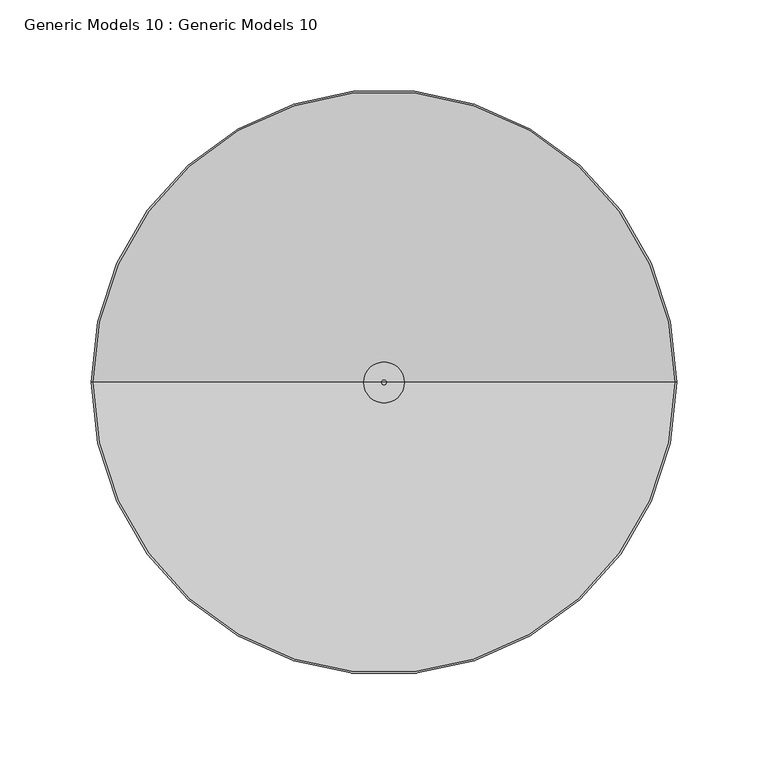
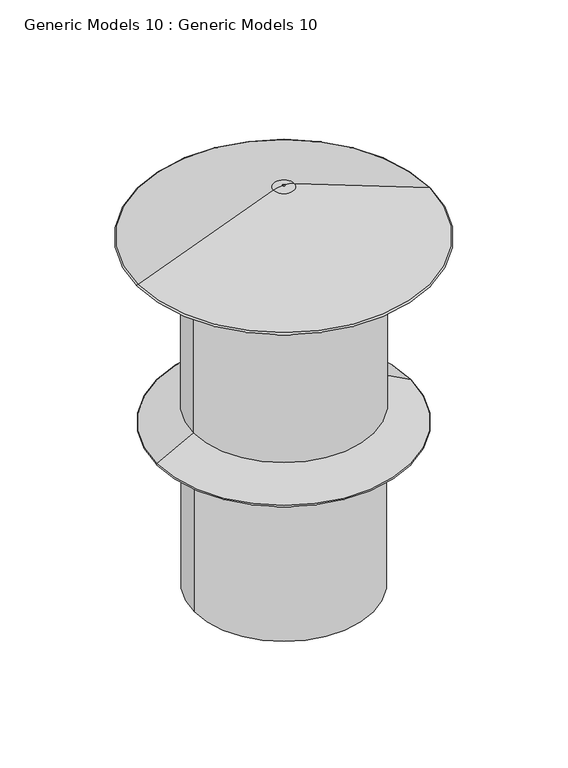
"""IFC4 building model written with IfcOpenShell, lengths in millimetres: proxy geometry, Generic Models 10 : Generic Models 10."""

import ifcopenshell
import ifcopenshell.guid

model = None  # the IFC model being written
_history = None  # IfcOwnerHistory: only IFC2X3 demands one
_inside = {}  # id of a spatial element -> (the spatial element, [elements in it])
_under = {}  # id of a project, library or spatial element -> (it, [spatial elements below it])
_declared = {}  # id of a project -> (the project, [libraries it declares])
_typed = {}  # id of a type object -> (the type object, [elements of that type])
_made_of = {}  # id of a material, layer set ... -> (it, [elements and type objects made of it])


def new_model(schema):
    """Start an empty IFC model of exactly this schema.

    Asked for "IFC4X3", IfcOpenShell would pick the latest addendum, in which some entities
    have other attributes; the version numbers below select the first issue.
    IFC2X3 requires an IfcOwnerHistory on every rooted entity: one is made here for all.
    """
    global model, _history
    if schema == "IFC4X3":
        model = ifcopenshell.file(schema_version=(4, 3, 0, 0))
    else:
        model = ifcopenshell.file(schema=schema)
    _inside.clear()
    _under.clear()
    _declared.clear()
    _typed.clear()
    _made_of.clear()
    _history = None
    if model.schema == "IFC2X3":
        org = make("IfcOrganization", Name="unknown")
        user = make(
            "IfcPersonAndOrganization",
            ThePerson=make("IfcPerson", FamilyName="unknown"),
            TheOrganization=org,
        )
        app = make(
            "IfcApplication",
            ApplicationDeveloper=org,
            Version="unknown",
            ApplicationFullName="unknown",
            ApplicationIdentifier="unknown",
        )
        _history = make(
            "IfcOwnerHistory",
            OwningUser=user,
            OwningApplication=app,
            ChangeAction="ADDED",
            CreationDate=0,
        )
    return model


def make(cls, **values):
    """One entity of the class cls with the attributes given. An attribute that is None is left unset."""
    return model.create_entity(
        cls, **{name: value for name, value in values.items() if value is not None}
    )


def rooted(cls, **values):
    """An entity with a GlobalId (a new one), such as an element, a storey or a relation."""
    return make(cls, GlobalId=ifcopenshell.guid.new(), OwnerHistory=_history, **values)


def si_unit(unit_type, name, prefix=None):
    """IfcSIUnit, for example si_unit("LENGTHUNIT", "METRE", prefix="MILLI")."""
    return make("IfcSIUnit", UnitType=unit_type, Prefix=prefix, Name=name)


def assignment(units):
    """IfcUnitAssignment: the units of a project."""
    return None if units is None else make("IfcUnitAssignment", Units=units)


def point(xyz):
    """IfcCartesianPoint."""
    return None if xyz is None else make("IfcCartesianPoint", Coordinates=xyz)


def direction(xyz):
    """IfcDirection."""
    return None if xyz is None else make("IfcDirection", DirectionRatios=xyz)


def frame(location, z_axis=None, x_axis=None):
    """IfcAxis2Placement3D, a coordinate frame: its origin and axes. An axis left out is left unset."""
    return make(
        "IfcAxis2Placement3D",
        Location=point(location),
        Axis=direction(z_axis),
        RefDirection=direction(x_axis),
    )


def origin():
    """The frame at (0, 0, 0) with its axes left unset."""
    return frame((0.0, 0.0, 0.0))


def place(relative_to, where):
    """IfcLocalPlacement: puts the frame where relative to a parent placement (None: the world)."""
    return make(
        "IfcLocalPlacement", PlacementRelTo=relative_to, RelativePlacement=where
    )


def context(
    kind, dimensions, precision=None, world=None, true_north=None, identifier=None
):
    """IfcGeometricRepresentationContext, for example the 3D "Model" context."""
    return make(
        "IfcGeometricRepresentationContext",
        ContextIdentifier=identifier,
        ContextType=kind,
        CoordinateSpaceDimension=dimensions,
        Precision=precision,
        WorldCoordinateSystem=world,
        TrueNorth=true_north,
    )


def project(units=None, contexts=None):
    """IfcProject with its units and contexts."""
    return rooted(
        "IfcProject",
        Name="project",
        RepresentationContexts=contexts,
        UnitsInContext=assignment(units),
    )


def spatial(cls, under=None, at=None, **own):
    """A site, building, storey or space (cls), placed at a placement, below another one or the project."""
    s = rooted(cls, ObjectPlacement=at, **own)
    if under is not None:
        _under.setdefault(under.id(), (under, []))[1].append(s)
    return s


def polyline(points):
    """IfcPolyline through the points."""
    return make("IfcPolyline", Points=[point(p) for p in points])


def circle_curve(where, radius):
    """IfcCircle in the frame where."""
    return make("IfcCircle", Position=where, Radius=radius)


def ellipse_curve(where, semi_axis1, semi_axis2):
    """IfcEllipse in the frame where."""
    return make(
        "IfcEllipse", Position=where, SemiAxis1=semi_axis1, SemiAxis2=semi_axis2
    )


def trimmed(basis, trim1, trim2, sense, master):
    """IfcTrimmedCurve: the piece of a basis curve between two trims."""
    return make(
        "IfcTrimmedCurve",
        BasisCurve=basis,
        Trim1=trim1,
        Trim2=trim2,
        SenseAgreement=sense,
        MasterRepresentation=master,
    )


def shape(context_of_items, identifier, shape_type, items):
    """IfcShapeRepresentation: the items that make up one representation, for example the "Body"."""
    return make(
        "IfcShapeRepresentation",
        ContextOfItems=context_of_items,
        RepresentationIdentifier=identifier,
        RepresentationType=shape_type,
        Items=items,
    )


def source(mapping_origin, context_of_items, identifier, shape_type, items):
    """IfcRepresentationMap: a shape defined once, which mapped items show again and again."""
    return make(
        "IfcRepresentationMap",
        MappingOrigin=mapping_origin,
        MappedRepresentation=shape(context_of_items, identifier, shape_type, items),
    )


def transform(
    local_origin,
    x_axis=None,
    y_axis=None,
    z_axis=None,
    scale=None,
    scale2=None,
    scale3=None,
    uniform=True,
):
    """IfcCartesianTransformationOperator3D, or its non-uniform kind. x_axis, y_axis, z_axis: its Axis1, 2, 3."""
    if uniform:
        return make(
            "IfcCartesianTransformationOperator3D",
            Axis1=direction(x_axis),
            Axis2=direction(y_axis),
            LocalOrigin=point(local_origin),
            Scale=scale,
            Axis3=direction(z_axis),
        )
    return make(
        "IfcCartesianTransformationOperator3DnonUniform",
        Axis1=direction(x_axis),
        Axis2=direction(y_axis),
        LocalOrigin=point(local_origin),
        Scale=scale,
        Axis3=direction(z_axis),
        Scale2=scale2,
        Scale3=scale3,
    )


def mapped(mapping_source, mapping_target):
    """IfcMappedItem: shows the shape of a source again, moved by a transform."""
    return make(
        "IfcMappedItem", MappingSource=mapping_source, MappingTarget=mapping_target
    )


def made_of(thing, what):
    """Note that an element or type object is made of a material, layer set ...; save() writes the relation."""
    if what is not None:
        _made_of.setdefault(what.id(), (what, []))[1].append(thing)
    return thing


def element(
    cls,
    number,
    at=None,
    inside=None,
    cuts=None,
    type_object=None,
    material=None,
    context=None,
    identifier="Body",
    shape_type=None,
    held_by="IfcProductDefinitionShape",
    body=None,
    shapes=None,
    **own,
):
    """One element of the class cls, such as IfcWall. Its Tag is "e" and its number.

    at: its placement. inside: the storey or other place that contains it. cuts: it is an
    opening in that element (IfcRelVoidsElement). A single representation is given by context,
    identifier, shape_type and body (its items); several are given by shapes. held_by: the class
    of the entity that holds the representations. save() writes the other relations.
    """
    e = rooted(cls, Tag="e%d" % number, ObjectPlacement=at, **own)
    if body is not None:
        shapes = [shape(context, identifier, shape_type, body)]
    if shapes is not None:
        e.Representation = make(held_by, Representations=shapes)
    if inside is not None:
        _inside.setdefault(inside.id(), (inside, []))[1].append(e)
    if cuts is not None:
        rooted(
            "IfcRelVoidsElement", RelatingBuildingElement=cuts, RelatedOpeningElement=e
        )
    if type_object is not None:
        _typed.setdefault(type_object.id(), (type_object, []))[1].append(e)
    return made_of(e, material)


def aggregate(whole, parts):
    """IfcRelAggregates: a whole, such as a stair, and the parts it consists of."""
    return rooted("IfcRelAggregates", RelatingObject=whole, RelatedObjects=parts)


def save(model, path):
    """Write the relations noted so far, then the file.

    IfcRelAggregates (storeys below a building ...), IfcRelContainedInSpatialStructure (elements
    in a storey), IfcRelDefinesByType, IfcRelAssociatesMaterial and IfcRelDeclares: one each for
    every whole, place, type object, material and project.
    """
    for whole, parts in _under.values():
        aggregate(whole, parts)
    for where, things in _inside.values():
        rooted(
            "IfcRelContainedInSpatialStructure",
            RelatedElements=things,
            RelatingStructure=where,
        )
    for kind, things in _typed.values():
        rooted("IfcRelDefinesByType", RelatedObjects=things, RelatingType=kind)
    for what, things in _made_of.values():
        rooted("IfcRelAssociatesMaterial", RelatedObjects=things, RelatingMaterial=what)
    for by, libraries in _declared.values():
        rooted("IfcRelDeclares", RelatingContext=by, RelatedDefinitions=libraries)
    model.write(path)


def plane_surface(at):
    """IfcPlane: the flat surface through the origin of the frame at, square to its z axis."""
    return make("IfcPlane", Position=at)


def cylinder_surface(at, radius):
    """IfcCylindricalSurface: all points at the distance radius from the z axis of the frame at."""
    return make("IfcCylindricalSurface", Position=at, Radius=radius)


def revolved_surface(curve, axis_point, axis_direction):
    """IfcSurfaceOfRevolution: the curve turned about the line through axis_point along axis_direction."""
    return make(
        "IfcSurfaceOfRevolution",
        SweptCurve=make("IfcArbitraryOpenProfileDef", ProfileType="CURVE", Curve=curve),
        AxisPosition=make("IfcAxis1Placement", Location=point(axis_point), Axis=direction(axis_direction)),
    )


def advanced_brep(points, edges, surfaces, faces):
    """IfcAdvancedBrep: a solid bounded by faces that lie on surfaces and meet in shared edges.

    An edge is (start, end): straight between two places in points (the first is 0);
    or (start, end, curve); or (start, end, curve, False) where it runs against its curve.
    A face is (place in surfaces, loops), or (place, loops, False) where it looks against
    its surface's normal. A loop lists edges by number (the first is 1), with a minus sign
    where the edge is run from its end to its start. The first loop is the outer one.
    """
    corners = [point(p) for p in points]
    vertices = [make("IfcVertexPoint", VertexGeometry=c) for c in corners]
    made = []
    for start, end, *more in edges:
        made.append(
            make(
                "IfcEdgeCurve",
                EdgeStart=vertices[start],
                EdgeEnd=vertices[end],
                EdgeGeometry=more[0] if more else make("IfcPolyline", Points=[corners[start], corners[end]]),
                SameSense=more[1] if len(more) > 1 else True,
            )
        )
    hull = []
    for where, loops, *sense in faces:
        bounds = []
        for j, loop in enumerate(loops):
            ring = [make("IfcOrientedEdge", EdgeElement=made[abs(k) - 1], Orientation=k > 0) for k in loop]
            bounds.append(
                make(
                    "IfcFaceOuterBound" if j == 0 else "IfcFaceBound",
                    Bound=make("IfcEdgeLoop", EdgeList=ring),
                    Orientation=True,
                )
            )
        hull.append(make("IfcAdvancedFace", Bounds=bounds, FaceSurface=surfaces[where], SameSense=sense[0] if sense else True))
    return make("IfcAdvancedBrep", Outer=make("IfcClosedShell", CfsFaces=hull))


def generic_models_10_generic_models_10_31a4c1db(model_context):
    return source(origin(), model_context, "Body", "AdvancedBrep", [
        advanced_brep(
        [(-24685.1007906, 13011.4430902, -1943.2540399), (-24367.7713072, 13011.4430902, -1943.2540399), (-24367.3065652, 13011.4430902, -1940.7465169), (-24685.5655325, 13011.4430902, -1940.7465169), (-24624.6685324, 13011.4430902, -1943.2540399), (-24428.2035654, 13011.4430902, -1943.2540399), (-24624.6685324, 13011.4430902, -2133.1636867), (-24428.2035654, 13011.4430902, -2133.1636867), (-24664.7296013, 13011.4430902, -2154.4645349), (-24388.1424965, 13011.4430902, -2154.4645349), (-24664.3186876, 13011.4430902, -2156.1126197), (-24388.5534101, 13011.4430902, -2156.1126197), (-24623.9283177, 13011.4430902, -2156.1126197), (-24428.9437801, 13011.4430902, -2156.1126197), (-24623.9283177, 13011.4430902, -2339.8657447), (-24428.9437801, 13011.4430902, -2339.8657447), (-24526.4360489, 13011.4430902, -2339.8657447), (-24527.6882921, 13011.4430902, -1882.107289), (-24525.1838056, 13011.4430902, -1882.107289), (-24526.4360489, 13011.4430902, -1882.107289), (-24537.5820926, 13011.4430902, -1883.9409965), (-24515.2900052, 13011.4430902, -1883.9409965)],
        [
            (0, 1, circle_curve(frame((-24526.4360489, 13011.4430902, -1943.2540399), z_axis=(0.0, 0.0, 1.0), x_axis=(1.0, 0.0, 0.0)), 158.6647417)),
            (1, 2, circle_curve(frame((-24367.7713072, 13011.4430902, -1941.957211), z_axis=(0.0, -1.0, 0.0), x_axis=(1.0, 0.0, 0.0)), 1.2968289)),
            (2, 3, circle_curve(frame((-24526.4360489, 13011.4430902, -1940.7465169), z_axis=(0.0, 0.0, -1.0), x_axis=(1.0, 0.0, 0.0)), 159.1294836)),
            (3, 0, circle_curve(frame((-24685.1007906, 13011.4430902, -1941.957211), z_axis=(0.0, -1.0, 0.0), x_axis=(-1.0, 0.0, 0.0)), 1.2968289)),
            (1, 0, circle_curve(frame((-24526.4360489, 13011.4430902, -1943.2540399), z_axis=(0.0, 0.0, 1.0), x_axis=(1.0, 0.0, 0.0)), 158.6647417)),
            (3, 2, circle_curve(frame((-24526.4360489, 13011.4430902, -1940.7465169), z_axis=(0.0, 0.0, -1.0), x_axis=(1.0, 0.0, 0.0)), 159.1294836)),
            (4, 5, circle_curve(frame((-24526.4360489, 13011.4430902, -1943.2540399), z_axis=(0.0, 0.0, 1.0), x_axis=(1.0, 0.0, 0.0)), 98.2324835)),
            (5, 1),
            (0, 4),
            (5, 4, circle_curve(frame((-24526.4360489, 13011.4430902, -1943.2540399), z_axis=(0.0, 0.0, 1.0), x_axis=(1.0, 0.0, 0.0)), 98.2324835)),
            (6, 7, circle_curve(frame((-24526.4360489, 13011.4430902, -2133.1636867), z_axis=(0.0, 0.0, 1.0), x_axis=(1.0, 0.0, 0.0)), 98.2324835)),
            (7, 5),
            (4, 6),
            (7, 6, circle_curve(frame((-24526.4360489, 13011.4430902, -2133.1636867), z_axis=(0.0, 0.0, 1.0), x_axis=(1.0, 0.0, 0.0)), 98.2324835)),
            (8, 9, circle_curve(frame((-24526.4360489, 13011.4430902, -2154.4645349), z_axis=(0.0, 0.0, 1.0), x_axis=(1.0, 0.0, 0.0)), 138.2935524)),
            (9, 7),
            (6, 8),
            (9, 8, circle_curve(frame((-24526.4360489, 13011.4430902, -2154.4645349), z_axis=(0.0, 0.0, 1.0), x_axis=(1.0, 0.0, 0.0)), 138.2935524)),
            (10, 11, circle_curve(frame((-24526.4360489, 13011.4430902, -2156.1126197), z_axis=(0.0, 0.0, 1.0), x_axis=(1.0, 0.0, 0.0)), 137.8826387)),
            (11, 9, circle_curve(frame((-24388.5534101, 13011.4430902, -2155.2373511), z_axis=(0.0, -1.0, 0.0), x_axis=(1.0, 0.0, 0.0)), 0.8752685)),
            (8, 10, circle_curve(frame((-24664.3186876, 13011.4430902, -2155.2373511), z_axis=(0.0, -1.0, 0.0), x_axis=(-1.0, 0.0, 0.0)), 0.8752685)),
            (11, 10, circle_curve(frame((-24526.4360489, 13011.4430902, -2156.1126197), z_axis=(0.0, 0.0, 1.0), x_axis=(1.0, 0.0, 0.0)), 137.8826387)),
            (12, 13, circle_curve(frame((-24526.4360489, 13011.4430902, -2156.1126197), z_axis=(0.0, 0.0, 1.0), x_axis=(1.0, 0.0, 0.0)), 97.4922688)),
            (13, 11),
            (10, 12),
            (13, 12, circle_curve(frame((-24526.4360489, 13011.4430902, -2156.1126197), z_axis=(0.0, 0.0, 1.0), x_axis=(1.0, 0.0, 0.0)), 97.4922688)),
            (14, 15, circle_curve(frame((-24526.4360489, 13011.4430902, -2339.8657447), z_axis=(0.0, 0.0, 1.0), x_axis=(1.0, 0.0, 0.0)), 97.4922688)),
            (15, 13),
            (12, 14),
            (15, 14, circle_curve(frame((-24526.4360489, 13011.4430902, -2339.8657447), z_axis=(0.0, 0.0, 1.0), x_axis=(1.0, 0.0, 0.0)), 97.4922688)),
            (16, 15),
            (14, 16),
            (17, 18, circle_curve(frame((-24526.4360489, 13011.4430902, -1882.107289), z_axis=(0.0, 0.0, 1.0), x_axis=(1.0, 0.0, 0.0)), 1.2522432)),
            (18, 19),
            (19, 17),
            (18, 17, circle_curve(frame((-24526.4360489, 13011.4430902, -1882.107289), z_axis=(0.0, 0.0, 1.0), x_axis=(1.0, 0.0, 0.0)), 1.2522432)),
            (20, 21, circle_curve(frame((-24526.4360489, 13011.4430902, -1883.9409965), z_axis=(0.0, 0.0, 1.0), x_axis=(1.0, 0.0, 0.0)), 11.1460437)),
            (21, 18, circle_curve(frame((-24525.1838056, 13011.4430902, -1909.7152279), z_axis=(0.0, -1.0, 0.0), x_axis=(1.0, 0.0, 0.0)), 27.6079389)),
            (17, 20, circle_curve(frame((-24527.6882921, 13011.4430902, -1909.7152279), z_axis=(0.0, -1.0, 0.0), x_axis=(-1.0, 0.0, 0.0)), 27.6079389)),
            (21, 20, circle_curve(frame((-24526.4360489, 13011.4430902, -1883.9409965), z_axis=(0.0, 0.0, 1.0), x_axis=(1.0, 0.0, 0.0)), 11.1460437)),
            (2, 21),
            (20, 3),
        ],
        [
            revolved_surface(trimmed(ellipse_curve(frame((-24367.7713072, 13011.4430902, -1941.957211), z_axis=(0.0, 1.0, 0.0), x_axis=(1.0, 0.0, 0.0)), 1.2968289, 1.2968289), [point((-24367.3065652, 13011.4430902, -1940.7465169))], [point((-24367.7713072, 13011.4430902, -1943.2540399))], True, "CARTESIAN"), (-24526.4360489, 13011.4430902, -1878.5181012), (0.0, 0.0, -1.0)),
            plane_surface(frame((-24526.4360489, 13011.4430902, -1943.2540399), z_axis=(0.0, 0.0, -1.0), x_axis=(1.0, 0.0, 0.0))),
            cylinder_surface(frame((-24526.4360489, 13011.4430902, -1878.5181012), z_axis=(0.0, 0.0, -1.0), x_axis=(1.0, 0.0, 0.0)), 98.2324835),
            revolved_surface(polyline([(-24428.2035654, 13011.4430902, -2133.1636867), (-24388.1424965, 13011.4430902, -2154.4645349)]), (-24526.4360489, 13011.4430902, -1878.5181012), (0.0, 0.0, -1.0)),
            revolved_surface(trimmed(ellipse_curve(frame((-24388.5534101, 13011.4430902, -2155.2373511), z_axis=(0.0, 1.0, 0.0), x_axis=(1.0, 0.0, 0.0)), 0.8752685, 0.8752685), [point((-24388.1424965, 13011.4430902, -2154.4645349))], [point((-24388.5534101, 13011.4430902, -2156.1126197))], True, "CARTESIAN"), (-24526.4360489, 13011.4430902, -1878.5181012), (0.0, 0.0, -1.0)),
            plane_surface(frame((-24526.4360489, 13011.4430902, -2156.1126197), z_axis=(0.0, 0.0, -1.0), x_axis=(1.0, 0.0, 0.0))),
            cylinder_surface(frame((-24526.4360489, 13011.4430902, -1878.5181012), z_axis=(0.0, 0.0, -1.0), x_axis=(1.0, 0.0, 0.0)), 97.4922688),
            plane_surface(frame((-24526.4360489, 13011.4430902, -2339.8657447), z_axis=(0.0, 0.0, -1.0), x_axis=(1.0, 0.0, 0.0))),
            plane_surface(frame((-24526.4360489, 13011.4430902, -1882.107289), z_axis=(0.0, 0.0, 1.0), x_axis=(1.0, 0.0, 0.0))),
            revolved_surface(trimmed(ellipse_curve(frame((-24525.1838056, 13011.4430902, -1909.7152279), z_axis=(0.0, 1.0, 0.0), x_axis=(1.0, 0.0, 0.0)), 27.6079389, 27.6079389), [point((-24525.1838056, 13011.4430902, -1882.107289))], [point((-24515.2900052, 13011.4430902, -1883.9409965))], True, "CARTESIAN"), (-24526.4360489, 13011.4430902, -1878.5181012), (0.0, 0.0, -1.0)),
            revolved_surface(polyline([(-24515.2900052, 13011.4430902, -1883.9409965), (-24367.3065652, 13011.4430902, -1940.7465169)]), (-24526.4360489, 13011.4430902, -1878.5181012), (0.0, 0.0, -1.0)),
        ],
        [
            (0, [[1, 2, 3, 4]]),
            (0, [[5, -4, 6, -2]]),
            (1, [[7, 8, -1, 9]]),
            (1, [[10, -9, -5, -8]]),
            (2, [[11, 12, -7, 13]]),
            (2, [[14, -13, -10, -12]]),
            (3, [[15, 16, -11, 17]]),
            (3, [[18, -17, -14, -16]]),
            (4, [[19, 20, -15, 21]]),
            (4, [[22, -21, -18, -20]]),
            (5, [[23, 24, -19, 25]]),
            (5, [[26, -25, -22, -24]]),
            (6, [[27, 28, -23, 29]]),
            (6, [[30, -29, -26, -28]]),
            (7, [[31, -27, 32]]),
            (7, [[-32, -30, -31]]),
            (8, [[33, 34, 35]]),
            (8, [[36, -35, -34]]),
            (9, [[37, 38, -33, 39]]),
            (9, [[40, -39, -36, -38]]),
            (10, [[-3, 41, -37, 42]]),
            (10, [[-6, -42, -40, -41]]),
        ],
    ),
    ])


if __name__ == "__main__":
    model = new_model("IFC4")
    model_context = context("Model", 3, world=origin())
    ifc_project = project(units=[si_unit("LENGTHUNIT", "METRE", prefix="MILLI")], contexts=[model_context])
    site = spatial("IfcSite", under=ifc_project)
    building = spatial("IfcBuilding", under=site)
    placement = place(None, origin())
    generic_models_10_generic_models_10_shape = generic_models_10_generic_models_10_31a4c1db(model_context)
    element("IfcBuildingElementProxy", 1, Name="Generic Models 10 : Generic Models 10", ObjectType="Generic Models 10 : Generic Models 10", at=placement, inside=building, context=model_context, shape_type="MappedRepresentation", body=[
        mapped(generic_models_10_generic_models_10_shape, transform((0.0, 0.0, 0.0), x_axis=(1.0, 0.0, 0.0), y_axis=(0.0, 1.0, 0.0), z_axis=(0.0, 0.0, 1.0))),
    ])
    save(model, "model.ifc")
